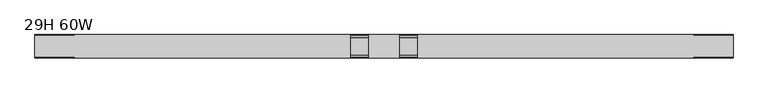
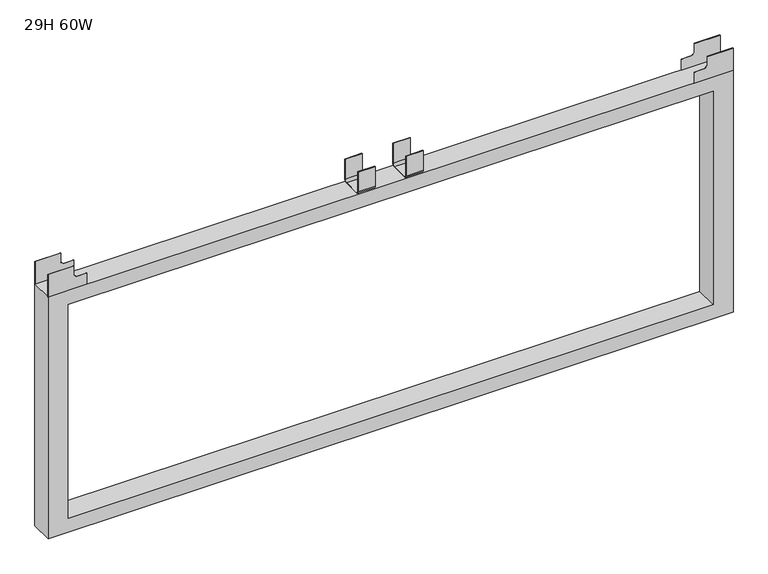
"""IFC4 building model written with IfcOpenShell, lengths in millimetres: furniture geometry, 29H 60W."""

from ifc_helpers import new_model, si_unit, point, frame, frame_2d, origin, place, context, project, spatial, polyline, circle_curve, trimmed, segment, composite_curve, outline, extrude, source, transform, mapped, element, save


def furniture_29h_60w_2e449f05(model_context):
    return source(origin(), model_context, "Body", "SweptSolid", [
        extrude(outline(composite_curve([segment(polyline([(-13.7160005, 723.3158), (-13.7160005, 676.9100085)]), True, "CONTINUOUS"), segment(trimmed(circle_curve(frame_2d((-20.0660005, 676.9100085)), 6.35), [point((-13.7160005, 676.9100085))], [point((-20.0660005, 670.5600085))], False, "CARTESIAN"), True, "CONTINUOUS"), segment(polyline([(-20.0660005, 670.5600085), (-58.1660021, 670.5600085)]), True, "CONTINUOUS"), segment(trimmed(circle_curve(frame_2d((-58.1660021, 676.9100085)), 6.35), [point((-58.1660021, 670.5600085))], [point((-64.5160021, 676.9100085))], False, "CARTESIAN"), True, "CONTINUOUS"), segment(polyline([(-64.5160021, 676.9100085), (-64.5160021, 723.3158), (-63.7286021, 723.3158), (-63.7286021, 676.9100085)]), True, "CONTINUOUS"), segment(trimmed(circle_curve(frame_2d((-58.1660021, 676.9100085)), 5.5626), [point((-63.7286021, 676.9100085))], [point((-58.1660021, 671.3474085))], True, "CARTESIAN"), True, "CONTINUOUS"), segment(polyline([(-58.1660021, 671.3474085), (-20.0660005, 671.3474085)]), True, "CONTINUOUS"), segment(trimmed(circle_curve(frame_2d((-20.0660005, 676.9100085)), 5.5626), [point((-20.0660005, 671.3474085))], [point((-14.5034005, 676.9100085))], True, "CARTESIAN"), True, "CONTINUOUS"), segment(polyline([(-14.5034005, 676.9100085), (-14.5034005, 723.3158), (-13.7160005, 723.3158)]), True, "CONTINUOUS")], self_intersect=False)), frame((796.2899855, 0.0, 0.0), z_axis=(1.0, 0.0, 0.0), x_axis=(0.0, 1.0, 0.0)), (0.0, 0.0, 1.0), 38.1),
        extrude(outline(composite_curve([segment(polyline([(-13.7160005, 723.3158), (-13.7160005, 676.9100085)]), True, "CONTINUOUS"), segment(trimmed(circle_curve(frame_2d((-20.0660005, 676.9100085)), 6.35), [point((-13.7160005, 676.9100085))], [point((-20.0660005, 670.5600085))], False, "CARTESIAN"), True, "CONTINUOUS"), segment(polyline([(-20.0660005, 670.5600085), (-58.1660021, 670.5600085)]), True, "CONTINUOUS"), segment(trimmed(circle_curve(frame_2d((-58.1660021, 676.9100085)), 6.35), [point((-58.1660021, 670.5600085))], [point((-64.5160021, 676.9100085))], False, "CARTESIAN"), True, "CONTINUOUS"), segment(polyline([(-64.5160021, 676.9100085), (-64.5160021, 723.3158), (-63.7286021, 723.3158), (-63.7286021, 676.9100085)]), True, "CONTINUOUS"), segment(trimmed(circle_curve(frame_2d((-58.1660021, 676.9100085)), 5.5626), [point((-63.7286021, 676.9100085))], [point((-58.1660021, 671.3474085))], True, "CARTESIAN"), True, "CONTINUOUS"), segment(polyline([(-58.1660021, 671.3474085), (-20.0660005, 671.3474085)]), True, "CONTINUOUS"), segment(trimmed(circle_curve(frame_2d((-20.0660005, 676.9100085)), 5.5626), [point((-20.0660005, 671.3474085))], [point((-14.5034005, 676.9100085))], True, "CARTESIAN"), True, "CONTINUOUS"), segment(polyline([(-14.5034005, 676.9100085), (-14.5034005, 723.3158), (-13.7160005, 723.3158)]), True, "CONTINUOUS")], self_intersect=False)), frame((689.6100145, 0.0, 0.0), z_axis=(1.0, 0.0, 0.0), x_axis=(0.0, 1.0, 0.0)), (0.0, 0.0, 1.0), 38.1),
        extrude(outline(polyline([(723.3158, 1524.0), (723.3158, 1466.85), (701.8045403, 1466.85), (696.5950109, 1460.5000015), (696.5950109, 1437.6400006), (670.5600085, 1437.6400006), (670.5600085, 1524.0), (723.3158, 1524.0)])), frame((0.0, -14.333455, 0.0), z_axis=(0.0, 1.0, 0.0), x_axis=(0.0, 0.0, 1.0)), (0.0, 0.0, 1.0), 0.6174544),
        extrude(outline(polyline([(723.3158, 1524.0), (723.3158, 1466.85), (701.8045403, 1466.85), (696.5950109, 1460.5000015), (696.5950109, 1437.6400006), (670.5600085, 1437.6400006), (670.5600085, 1524.0), (723.3158, 1524.0)])), frame((0.0, -64.5160021, 0.0), z_axis=(0.0, 1.0, 0.0), x_axis=(0.0, 0.0, 1.0)), (0.0, 0.0, 1.0), 0.6174544),
        extrude(outline(polyline([(723.3158, 0.0), (670.5600085, 0.0), (670.5600085, 86.3599994), (696.5950109, 86.3599994), (696.5950109, 63.4999985), (701.8045403, 57.15), (723.3158, 57.15), (723.3158, 0.0)])), frame((0.0, -14.333455, 0.0), z_axis=(0.0, 1.0, 0.0), x_axis=(0.0, 0.0, 1.0)), (0.0, 0.0, 1.0), 0.6174544),
        extrude(outline(polyline([(723.3158, 0.0), (670.5600085, 0.0), (670.5600085, 86.3599994), (696.5950109, 86.3599994), (696.5950109, 63.4999985), (701.8045403, 57.15), (723.3158, 57.15), (723.3158, 0.0)])), frame((0.0, -64.5160021, 0.0), z_axis=(0.0, 1.0, 0.0), x_axis=(0.0, 0.0, 1.0)), (0.0, 0.0, 1.0), 0.6174544),
        extrude(outline(polyline([(101.600003, 0.0), (101.600003, 1524.0), (670.4329935, 1524.0), (670.4329935, 0.0), (101.600003, 0.0)]), holes=[polyline([(134.4929989, 44.4499985), (637.5400158, 44.4499985), (637.5400158, 1479.5500015), (134.4929989, 1479.5500015), (134.4929989, 44.4499985)])]), frame((0.0, -64.5160021, 0.0), z_axis=(0.0, 1.0, 0.0), x_axis=(0.0, 0.0, 1.0)), (0.0, 0.0, 1.0), 50.8000015),
    ])


if __name__ == "__main__":
    model = new_model("IFC4")
    model_context = context("Model", 3, world=origin())
    ifc_project = project(units=[si_unit("LENGTHUNIT", "METRE", prefix="MILLI")], contexts=[model_context])
    site = spatial("IfcSite", under=ifc_project)
    building = spatial("IfcBuilding", under=site)
    placement = place(None, origin())
    furniture_29h_60w_shape = furniture_29h_60w_2e449f05(model_context)
    element("IfcFurniture", 1, ObjectType="29H 60W", at=placement, inside=building, context=model_context, shape_type="MappedRepresentation", body=[
        mapped(furniture_29h_60w_shape, transform((0.0, 0.0, 0.0), x_axis=(1.0, 0.0, 0.0), y_axis=(0.0, 1.0, 0.0), z_axis=(0.0, 0.0, 1.0))),
    ])
    save(model, "model.ifc")
